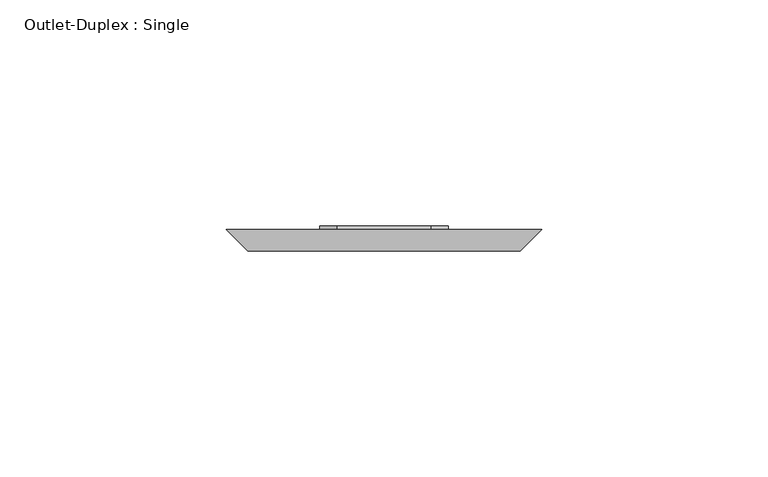
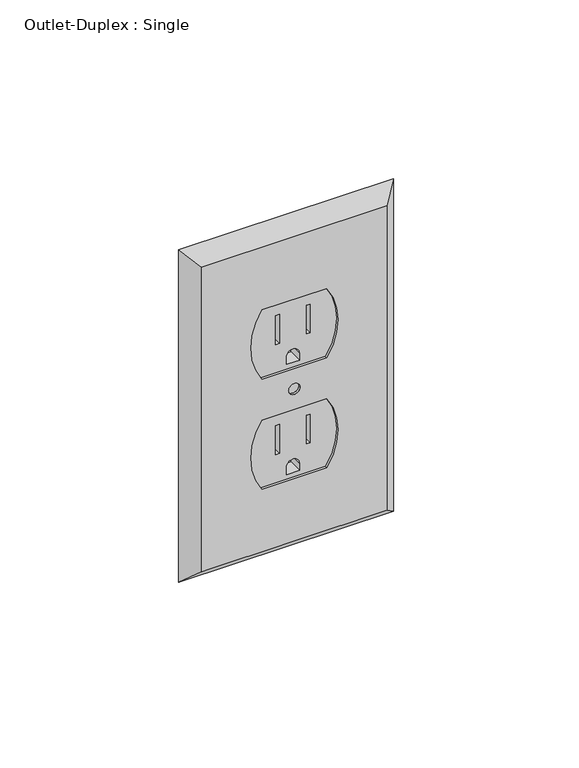
"""IFC4 building model written with IfcOpenShell, lengths in millimetres: proxy geometry, Outlet-Duplex : Single."""

from ifc_helpers import new_model, si_unit, point, frame, frame_2d, origin, place, context, project, spatial, polyline, circle_curve, trimmed, segment, composite_curve, outline, extrude, source, transform, mapped, element, save
from ifc_brep_helpers import plane_surface, revolved_surface, advanced_brep


def outlet_duplex_single_fee053b9(model_context):
    return source(origin(), model_context, "Body", "SolidModel", [
        extrude(outline(composite_curve([segment(polyline([(273.9614857, -10.4931617), (273.9614857, 10.4931617)]), True, "CONTINUOUS"), segment(trimmed(circle_curve(frame_2d((285.8677357, -6.8576098)), 21.043005), [point((273.9614857, 10.4931617))], [point((297.7739857, 10.4931617))], False, "CARTESIAN"), True, "CONTINUOUS"), segment(polyline([(297.7739857, 10.4931617), (297.7739857, -10.4931617)]), True, "CONTINUOUS"), segment(trimmed(circle_curve(frame_2d((285.8677357, 6.8576098)), 21.043005), [point((297.7739857, -10.4931617))], [point((273.9614857, -10.4931617))], False, "CARTESIAN"), True, "CONTINUOUS")], self_intersect=False), holes=[polyline([(283.8450983, 5.6261139), (283.8450983, 4.3502847), (293.6358342, 4.3502847), (293.6358342, 5.6261139), (283.8450983, 5.6261139)]), polyline([(283.6466608, -5.6261139), (293.6358342, -5.6261139), (293.6358342, -4.3502847), (283.6466608, -4.3502847), (283.6466608, -5.6261139)]), composite_curve([segment(polyline([(275.5679027, 2.0747584), (275.5679027, -2.0747584), (278.0820784, -2.0747584)]), True, "CONTINUOUS"), segment(trimmed(circle_curve(frame_2d((278.0820784, 0.0)), 2.0747584), [point((278.0820784, -2.0747584))], [point((278.0820784, 2.0747584))], True, "CARTESIAN"), True, "CONTINUOUS"), segment(polyline([(278.0820784, 2.0747584), (275.5679027, 2.0747584)]), True, "CONTINUOUS")], self_intersect=False)]), frame((0.0, -65.8585533, 0.0), z_axis=(0.0, 1.0, 0.0), x_axis=(0.0, 0.0, 1.0)), (0.0, 0.0, 1.0), 4.7441942),
        extrude(outline(composite_curve([segment(trimmed(circle_curve(frame_2d((323.7322643, 6.8576098)), 21.043005), [point((335.6385143, -10.4931617))], [point((311.8260143, -10.4931617))], False, "CARTESIAN"), True, "CONTINUOUS"), segment(polyline([(311.8260143, -10.4931617), (311.8260143, 10.4931617)]), True, "CONTINUOUS"), segment(trimmed(circle_curve(frame_2d((323.7322643, -6.8576098)), 21.043005), [point((311.8260143, 10.4931617))], [point((335.6385143, 10.4931617))], False, "CARTESIAN"), True, "CONTINUOUS"), segment(polyline([(335.6385143, 10.4931617), (335.6385143, -10.4931617)]), True, "CONTINUOUS")], self_intersect=False), holes=[polyline([(321.709627, 5.6261139), (321.709627, 4.3502847), (331.5003629, 4.3502847), (331.5003629, 5.6261139), (321.709627, 5.6261139)]), polyline([(321.5111895, -5.6261139), (331.5003629, -5.6261139), (331.5003629, -4.3502847), (321.5111895, -4.3502847), (321.5111895, -5.6261139)]), composite_curve([segment(polyline([(313.4324314, 2.0747584), (313.4324314, -2.0747584), (315.9466071, -2.0747584)]), True, "CONTINUOUS"), segment(trimmed(circle_curve(frame_2d((315.9466071, 0.0)), 2.0747584), [point((315.9466071, -2.0747584))], [point((315.9466071, 2.0747584))], True, "CARTESIAN"), True, "CONTINUOUS"), segment(polyline([(315.9466071, 2.0747584), (313.4324314, 2.0747584)]), True, "CONTINUOUS")], self_intersect=False)]), frame((0.0, -65.8585533, 0.0), z_axis=(0.0, 1.0, 0.0), x_axis=(0.0, 0.0, 1.0)), (0.0, 0.0, 1.0), 4.7441942),
        extrude(outline(composite_curve([segment(trimmed(circle_curve(frame_2d((304.8, 0.0)), 1.8474562), [point((304.8, -1.8474562))], [point((304.8, 1.8474562))], False, "CARTESIAN"), True, "CONTINUOUS"), segment(trimmed(circle_curve(frame_2d((304.8, 0.0)), 1.8474562), [point((304.8, 1.8474562))], [point((304.8, -1.8474562))], False, "CARTESIAN"), True, "CONTINUOUS")], self_intersect=False)), frame((0.0, -65.8585533, 0.0), z_axis=(0.0, 1.0, 0.0), x_axis=(0.0, 0.0, 1.0)), (0.0, 0.0, 1.0), 4.7441942),
        advanced_brep(
        [(-30.1625, -66.675, 357.1875), (-30.1625, -66.675, 252.4125), (30.1625, -66.675, 252.4125), (30.1625, -66.675, 357.1875), (10.4931617, -66.675, 311.8260143), (-10.4931617, -66.675, 311.8260143), (-10.4931617, -66.675, 335.6385143), (10.4931617, -66.675, 335.6385143), (-10.4931617, -66.675, 297.7739857), (10.4931617, -66.675, 297.7739857), (10.4931617, -66.675, 273.9614857), (-10.4931617, -66.675, 273.9614857), (1.8474562, -66.675, 304.8), (-1.8474562, -66.675, 304.8), (-34.925, -61.9125, 361.95), (34.925, -61.9125, 361.95), (34.925, -61.9125, 247.65), (-34.925, -61.9125, 247.65), (10.4931617, -61.9125, 335.6385143), (-10.4931617, -61.9125, 335.6385143), (-10.4931617, -61.9125, 311.8260143), (10.4931617, -61.9125, 311.8260143), (-10.4931617, -61.9125, 273.9614857), (10.4931617, -61.9125, 273.9614857), (10.4931617, -61.9125, 297.7739857), (-10.4931617, -61.9125, 297.7739857), (-1.8474562, -61.9125, 304.8), (1.8474562, -61.9125, 304.8)],
        [
            (0, 1),
            (1, 2),
            (2, 3),
            (3, 0),
            (4, 5),
            (5, 6, circle_curve(frame((6.8576098, -66.675, 323.7322643), z_axis=(0.0, 1.0, 0.0), x_axis=(1.0, 0.0, 0.0)), 21.043005)),
            (6, 7),
            (7, 4, circle_curve(frame((-6.8576098, -66.675, 323.7322643), z_axis=(0.0, 1.0, 0.0), x_axis=(1.0, 0.0, 0.0)), 21.043005)),
            (8, 9),
            (9, 10, circle_curve(frame((-6.8576098, -66.675, 285.8677357), z_axis=(0.0, 1.0, 0.0), x_axis=(1.0, 0.0, 0.0)), 21.043005)),
            (10, 11),
            (11, 8, circle_curve(frame((6.8576098, -66.675, 285.8677357), z_axis=(0.0, 1.0, 0.0), x_axis=(1.0, 0.0, 0.0)), 21.043005)),
            (12, 13, circle_curve(frame((0.0, -66.675, 304.8), z_axis=(0.0, 1.0, 0.0), x_axis=(1.0, 0.0, 0.0)), 1.8474562)),
            (13, 12, circle_curve(frame((0.0, -66.675, 304.8), z_axis=(0.0, 1.0, 0.0), x_axis=(1.0, 0.0, 0.0)), 1.8474562)),
            (14, 15),
            (15, 16),
            (16, 17),
            (17, 14),
            (18, 19),
            (19, 20, circle_curve(frame((6.8576098, -61.9125, 323.7322643), z_axis=(0.0, -1.0, 0.0), x_axis=(1.0, 0.0, 0.0)), 21.043005)),
            (20, 21),
            (21, 18, circle_curve(frame((-6.8576098, -61.9125, 323.7322643), z_axis=(0.0, -1.0, 0.0), x_axis=(1.0, 0.0, 0.0)), 21.043005)),
            (22, 23),
            (23, 24, circle_curve(frame((-6.8576098, -61.9125, 285.8677357), z_axis=(0.0, -1.0, 0.0), x_axis=(1.0, 0.0, 0.0)), 21.043005)),
            (24, 25),
            (25, 22, circle_curve(frame((6.8576098, -61.9125, 285.8677357), z_axis=(0.0, -1.0, 0.0), x_axis=(1.0, 0.0, 0.0)), 21.043005)),
            (26, 27, circle_curve(frame((0.0, -61.9125, 304.8), z_axis=(0.0, -1.0, 0.0), x_axis=(1.0, 0.0, 0.0)), 1.8474562)),
            (27, 26, circle_curve(frame((0.0, -61.9125, 304.8), z_axis=(0.0, -1.0, 0.0), x_axis=(1.0, 0.0, 0.0)), 1.8474562)),
            (3, 15),
            (14, 0),
            (2, 16),
            (1, 17),
            (7, 18),
            (21, 4),
            (6, 19),
            (5, 20),
            (11, 22),
            (25, 8),
            (10, 23),
            (9, 24),
            (13, 26),
            (27, 12),
        ],
        [
            plane_surface(frame((0.0, -66.675, 304.8), z_axis=(0.0, -1.0, 0.0), x_axis=(0.0, 0.0, -1.0))),
            plane_surface(frame((0.0, -61.9125, 304.8), z_axis=(0.0, 1.0, 0.0), x_axis=(0.0, 0.0, -1.0))),
            plane_surface(frame((0.0, -61.9125, 361.95), z_axis=(0.0, -0.7071067811867159, 0.7071067811863793), x_axis=(1.0, 0.0, 0.0))),
            plane_surface(frame((34.925, -61.9125, 304.8), z_axis=(0.7071067811863626, -0.7071067811867324, 0.0), x_axis=(0.0, 0.0, -1.0))),
            plane_surface(frame((0.0, -61.9125, 247.65), z_axis=(0.0, -0.7071067811867585, -0.7071067811863365), x_axis=(-1.0, 0.0, 0.0))),
            plane_surface(frame((-34.925, -61.9125, 304.8), z_axis=(-0.7071067811862254, -0.7071067811868696, 0.0), x_axis=(0.0, 0.0, 1.0))),
            revolved_surface(polyline([(14.185395200000002, -61.9125, 323.7322643), (14.185395200000002, -66.675, 323.7322643)]), (-6.8576098, -112.696807, 323.7322643), (0.0, 1.0, 0.0)),
            plane_surface(frame((10.4931617, 238.125, 335.6385143), z_axis=(0.0, 0.0, -1.0), x_axis=(0.0, -1.0, 0.0))),
            revolved_surface(polyline([(27.9006148, -61.9125, 323.7322643), (27.9006148, -66.675, 323.7322643)]), (6.8576098, -112.696807, 323.7322643), (0.0, 1.0, 0.0)),
            plane_surface(frame((-10.4931617, 238.125, 311.8260143), z_axis=(0.0, 0.0, 1.0), x_axis=(0.0, -1.0, 0.0))),
            revolved_surface(polyline([(27.9006148, -61.9125, 285.8677357), (27.9006148, -66.675, 285.8677357)]), (6.8576098, -66.675, 285.8677357), (0.0, 1.0, 0.0)),
            plane_surface(frame((-10.4931617, 238.125, 273.9614857), z_axis=(0.0, 0.0, 1.0), x_axis=(0.0, -1.0, 0.0))),
            revolved_surface(polyline([(14.185395200000002, -61.9125, 285.8677357), (14.185395200000002, -66.675, 285.8677357)]), (-6.8576098, -66.675, 285.8677357), (0.0, 1.0, 0.0)),
            plane_surface(frame((10.4931617, 238.125, 297.7739857), z_axis=(0.0, 0.0, -1.0), x_axis=(0.0, -1.0, 0.0))),
            revolved_surface(polyline([(1.8474562, -61.9125, 304.8), (1.8474562, -66.675, 304.8)]), (0.0, -66.675, 304.8), (0.0, 1.0, 0.0)),
        ],
        [
            (0, [[1, 2, 3, 4], [5, 6, 7, 8], [9, 10, 11, 12], [13, 14]]),
            (1, [[15, 16, 17, 18], [19, 20, 21, 22], [23, 24, 25, 26], [27, 28]]),
            (2, [[29, -15, 30, -4]]),
            (3, [[31, -16, -29, -3]]),
            (4, [[32, -17, -31, -2]]),
            (5, [[-30, -18, -32, -1]]),
            (6, [[-8, 33, -22, 34]]),
            (7, [[-7, 35, -19, -33]]),
            (8, [[-6, 36, -20, -35]]),
            (9, [[-21, -36, -5, -34]]),
            (10, [[-12, 37, -26, 38]]),
            (11, [[-11, 39, -23, -37]]),
            (12, [[-10, 40, -24, -39]]),
            (13, [[-25, -40, -9, -38]]),
            (14, [[-14, 41, -28, 42]]),
            (14, [[-27, -41, -13, -42]]),
        ],
    ),
    ])


if __name__ == "__main__":
    model = new_model("IFC4")
    model_context = context("Model", 3, world=origin())
    ifc_project = project(units=[si_unit("LENGTHUNIT", "METRE", prefix="MILLI")], contexts=[model_context])
    site = spatial("IfcSite", under=ifc_project)
    building = spatial("IfcBuilding", under=site)
    placement = place(None, origin())
    outlet_duplex_single_shape = outlet_duplex_single_fee053b9(model_context)
    element("IfcBuildingElementProxy", 1, Name="Outlet-Duplex : Single", ObjectType="Outlet-Duplex : Single", at=placement, inside=building, context=model_context, shape_type="MappedRepresentation", body=[
        mapped(outlet_duplex_single_shape, transform((0.0, 0.0, 0.0), x_axis=(1.0, 0.0, 0.0), y_axis=(0.0, 1.0, 0.0), z_axis=(0.0, 0.0, 1.0))),
    ])
    save(model, "model.ifc")
